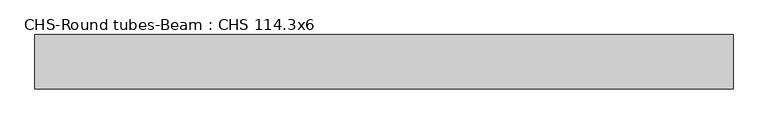
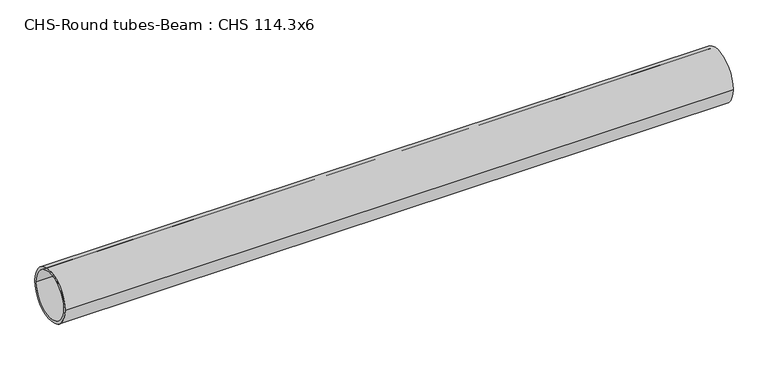
"""IFC4 building model written with IfcOpenShell, lengths in millimetres: beam geometry, CHS-Round tubes-Beam : CHS 114.3x6."""

from ifc_helpers import new_model, si_unit, point, frame, origin, origin_2d, place, context, project, spatial, circle_curve, trimmed, segment, composite_curve, outline, extrude, source, transform, mapped, element, save


def chs_round_tubes_beam_chs_114_3x6_58c673ee(model_context):
    return source(origin(), model_context, "Body", "SweptSolid", [
        extrude(outline(composite_curve([segment(trimmed(circle_curve(origin_2d(), 57.15), [point((57.15, 0.0))], [point((-57.15, 0.0))], False, "CARTESIAN"), True, "CONTINUOUS"), segment(trimmed(circle_curve(origin_2d(), 57.15), [point((-57.15, 0.0))], [point((57.15, 0.0))], False, "CARTESIAN"), True, "CONTINUOUS")], self_intersect=False), holes=[composite_curve([segment(trimmed(circle_curve(origin_2d(), 51.15), [point((51.15, 0.0))], [point((-51.15, 0.0))], True, "CARTESIAN"), True, "CONTINUOUS"), segment(trimmed(circle_curve(origin_2d(), 51.15), [point((-51.15, 0.0))], [point((51.15, 0.0))], True, "CARTESIAN"), True, "CONTINUOUS")], self_intersect=False)]), frame((-744.4814047, 0.0, 0.0), z_axis=(1.0, 0.0, 0.0), x_axis=(0.0, 1.0, 0.0)), (0.0, 0.0, 1.0), 1463.412279),
    ])


if __name__ == "__main__":
    model = new_model("IFC4")
    model_context = context("Model", 3, world=origin())
    ifc_project = project(units=[si_unit("LENGTHUNIT", "METRE", prefix="MILLI")], contexts=[model_context])
    site = spatial("IfcSite", under=ifc_project)
    building = spatial("IfcBuilding", under=site)
    placement = place(None, origin())
    chs_round_tubes_beam_chs_114_3x6_shape = chs_round_tubes_beam_chs_114_3x6_58c673ee(model_context)
    element("IfcBeam", 1, ObjectType="CHS-Round tubes-Beam : CHS 114.3x6", at=placement, inside=building, context=model_context, shape_type="MappedRepresentation", body=[
        mapped(chs_round_tubes_beam_chs_114_3x6_shape, transform((0.0, 0.0, 0.0), x_axis=(1.0, 0.0, 0.0), y_axis=(0.0, 1.0, 0.0), z_axis=(0.0, 0.0, 1.0))),
    ])
    save(model, "model.ifc")
